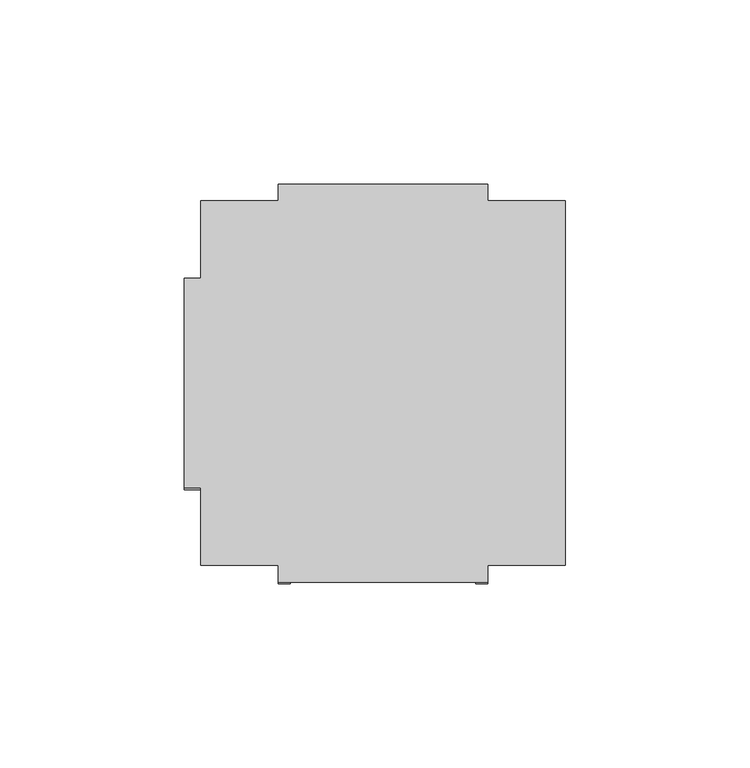
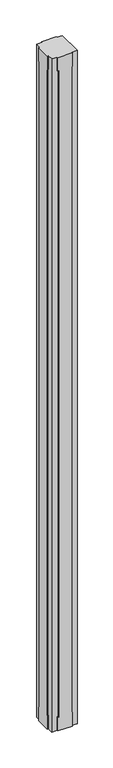
"""IFC4 building model written with IfcOpenShell, lengths in millimetres: furniture geometry."""

import ifcopenshell
import ifcopenshell.guid

model = None  # the IFC model being written
_history = None  # IfcOwnerHistory: only IFC2X3 demands one
_inside = {}  # id of a spatial element -> (the spatial element, [elements in it])
_under = {}  # id of a project, library or spatial element -> (it, [spatial elements below it])
_declared = {}  # id of a project -> (the project, [libraries it declares])
_typed = {}  # id of a type object -> (the type object, [elements of that type])
_made_of = {}  # id of a material, layer set ... -> (it, [elements and type objects made of it])


def new_model(schema):
    """Start an empty IFC model of exactly this schema.

    Asked for "IFC4X3", IfcOpenShell would pick the latest addendum, in which some entities
    have other attributes; the version numbers below select the first issue.
    IFC2X3 requires an IfcOwnerHistory on every rooted entity: one is made here for all.
    """
    global model, _history
    if schema == "IFC4X3":
        model = ifcopenshell.file(schema_version=(4, 3, 0, 0))
    else:
        model = ifcopenshell.file(schema=schema)
    _inside.clear()
    _under.clear()
    _declared.clear()
    _typed.clear()
    _made_of.clear()
    _history = None
    if model.schema == "IFC2X3":
        org = make("IfcOrganization", Name="unknown")
        user = make(
            "IfcPersonAndOrganization",
            ThePerson=make("IfcPerson", FamilyName="unknown"),
            TheOrganization=org,
        )
        app = make(
            "IfcApplication",
            ApplicationDeveloper=org,
            Version="unknown",
            ApplicationFullName="unknown",
            ApplicationIdentifier="unknown",
        )
        _history = make(
            "IfcOwnerHistory",
            OwningUser=user,
            OwningApplication=app,
            ChangeAction="ADDED",
            CreationDate=0,
        )
    return model


def make(cls, **values):
    """One entity of the class cls with the attributes given. An attribute that is None is left unset."""
    return model.create_entity(
        cls, **{name: value for name, value in values.items() if value is not None}
    )


def rooted(cls, **values):
    """An entity with a GlobalId (a new one), such as an element, a storey or a relation."""
    return make(cls, GlobalId=ifcopenshell.guid.new(), OwnerHistory=_history, **values)


def si_unit(unit_type, name, prefix=None):
    """IfcSIUnit, for example si_unit("LENGTHUNIT", "METRE", prefix="MILLI")."""
    return make("IfcSIUnit", UnitType=unit_type, Prefix=prefix, Name=name)


def assignment(units):
    """IfcUnitAssignment: the units of a project."""
    return None if units is None else make("IfcUnitAssignment", Units=units)


def point(xyz):
    """IfcCartesianPoint."""
    return None if xyz is None else make("IfcCartesianPoint", Coordinates=xyz)


def direction(xyz):
    """IfcDirection."""
    return None if xyz is None else make("IfcDirection", DirectionRatios=xyz)


def frame(location, z_axis=None, x_axis=None):
    """IfcAxis2Placement3D, a coordinate frame: its origin and axes. An axis left out is left unset."""
    return make(
        "IfcAxis2Placement3D",
        Location=point(location),
        Axis=direction(z_axis),
        RefDirection=direction(x_axis),
    )


def origin():
    """The frame at (0, 0, 0) with its axes left unset."""
    return frame((0.0, 0.0, 0.0))


def place(relative_to, where):
    """IfcLocalPlacement: puts the frame where relative to a parent placement (None: the world)."""
    return make(
        "IfcLocalPlacement", PlacementRelTo=relative_to, RelativePlacement=where
    )


def context(
    kind, dimensions, precision=None, world=None, true_north=None, identifier=None
):
    """IfcGeometricRepresentationContext, for example the 3D "Model" context."""
    return make(
        "IfcGeometricRepresentationContext",
        ContextIdentifier=identifier,
        ContextType=kind,
        CoordinateSpaceDimension=dimensions,
        Precision=precision,
        WorldCoordinateSystem=world,
        TrueNorth=true_north,
    )


def project(units=None, contexts=None):
    """IfcProject with its units and contexts."""
    return rooted(
        "IfcProject",
        Name="project",
        RepresentationContexts=contexts,
        UnitsInContext=assignment(units),
    )


def spatial(cls, under=None, at=None, **own):
    """A site, building, storey or space (cls), placed at a placement, below another one or the project."""
    s = rooted(cls, ObjectPlacement=at, **own)
    if under is not None:
        _under.setdefault(under.id(), (under, []))[1].append(s)
    return s


def faces_of(points, faces, orient=None, outer=None):
    """IfcFace entities. A face is a list of loops; a loop is a list of indices into points, from 0.

    orient and outer hold one flag for each loop. By default every Orientation is true, the
    first loop of a face is its IfcFaceOuterBound and the others are IfcFaceBound.
    """
    made = []
    for i, loops in enumerate(faces):
        bounds = []
        for j, loop in enumerate(loops):
            is_outer = j == 0 if outer is None else outer[i][j]
            bounds.append(
                make(
                    "IfcFaceOuterBound" if is_outer else "IfcFaceBound",
                    Bound=make("IfcPolyLoop", Polygon=[points[k] for k in loop]),
                    Orientation=True if orient is None else orient[i][j],
                )
            )
        made.append(make("IfcFace", Bounds=bounds))
    return made


def faceted_brep(points, faces, orient=None, outer=None, voids=None):
    """IfcFacetedBrep: a solid bounded by flat faces; with voids (closed shells), ...WithVoids."""
    shared = [point(p) for p in points]
    hull = make("IfcClosedShell", CfsFaces=faces_of(shared, faces, orient, outer))
    if voids is None:
        return make("IfcFacetedBrep", Outer=hull)
    return make(
        "IfcFacetedBrepWithVoids",
        Outer=hull,
        Voids=[
            make(cls, CfsFaces=faces_of(shared, fs, o, b)) for cls, fs, o, b in voids
        ],
    )


def shape(context_of_items, identifier, shape_type, items):
    """IfcShapeRepresentation: the items that make up one representation, for example the "Body"."""
    return make(
        "IfcShapeRepresentation",
        ContextOfItems=context_of_items,
        RepresentationIdentifier=identifier,
        RepresentationType=shape_type,
        Items=items,
    )


def source(mapping_origin, context_of_items, identifier, shape_type, items):
    """IfcRepresentationMap: a shape defined once, which mapped items show again and again."""
    return make(
        "IfcRepresentationMap",
        MappingOrigin=mapping_origin,
        MappedRepresentation=shape(context_of_items, identifier, shape_type, items),
    )


def transform(
    local_origin,
    x_axis=None,
    y_axis=None,
    z_axis=None,
    scale=None,
    scale2=None,
    scale3=None,
    uniform=True,
):
    """IfcCartesianTransformationOperator3D, or its non-uniform kind. x_axis, y_axis, z_axis: its Axis1, 2, 3."""
    if uniform:
        return make(
            "IfcCartesianTransformationOperator3D",
            Axis1=direction(x_axis),
            Axis2=direction(y_axis),
            LocalOrigin=point(local_origin),
            Scale=scale,
            Axis3=direction(z_axis),
        )
    return make(
        "IfcCartesianTransformationOperator3DnonUniform",
        Axis1=direction(x_axis),
        Axis2=direction(y_axis),
        LocalOrigin=point(local_origin),
        Scale=scale,
        Axis3=direction(z_axis),
        Scale2=scale2,
        Scale3=scale3,
    )


def mapped(mapping_source, mapping_target):
    """IfcMappedItem: shows the shape of a source again, moved by a transform."""
    return make(
        "IfcMappedItem", MappingSource=mapping_source, MappingTarget=mapping_target
    )


def made_of(thing, what):
    """Note that an element or type object is made of a material, layer set ...; save() writes the relation."""
    if what is not None:
        _made_of.setdefault(what.id(), (what, []))[1].append(thing)
    return thing


def element(
    cls,
    number,
    at=None,
    inside=None,
    cuts=None,
    type_object=None,
    material=None,
    context=None,
    identifier="Body",
    shape_type=None,
    held_by="IfcProductDefinitionShape",
    body=None,
    shapes=None,
    **own,
):
    """One element of the class cls, such as IfcWall. Its Tag is "e" and its number.

    at: its placement. inside: the storey or other place that contains it. cuts: it is an
    opening in that element (IfcRelVoidsElement). A single representation is given by context,
    identifier, shape_type and body (its items); several are given by shapes. held_by: the class
    of the entity that holds the representations. save() writes the other relations.
    """
    e = rooted(cls, Tag="e%d" % number, ObjectPlacement=at, **own)
    if body is not None:
        shapes = [shape(context, identifier, shape_type, body)]
    if shapes is not None:
        e.Representation = make(held_by, Representations=shapes)
    if inside is not None:
        _inside.setdefault(inside.id(), (inside, []))[1].append(e)
    if cuts is not None:
        rooted(
            "IfcRelVoidsElement", RelatingBuildingElement=cuts, RelatedOpeningElement=e
        )
    if type_object is not None:
        _typed.setdefault(type_object.id(), (type_object, []))[1].append(e)
    return made_of(e, material)


def aggregate(whole, parts):
    """IfcRelAggregates: a whole, such as a stair, and the parts it consists of."""
    return rooted("IfcRelAggregates", RelatingObject=whole, RelatedObjects=parts)


def save(model, path):
    """Write the relations noted so far, then the file.

    IfcRelAggregates (storeys below a building ...), IfcRelContainedInSpatialStructure (elements
    in a storey), IfcRelDefinesByType, IfcRelAssociatesMaterial and IfcRelDeclares: one each for
    every whole, place, type object, material and project.
    """
    for whole, parts in _under.values():
        aggregate(whole, parts)
    for where, things in _inside.values():
        rooted(
            "IfcRelContainedInSpatialStructure",
            RelatedElements=things,
            RelatingStructure=where,
        )
    for kind, things in _typed.values():
        rooted("IfcRelDefinesByType", RelatedObjects=things, RelatingType=kind)
    for what, things in _made_of.values():
        rooted("IfcRelAssociatesMaterial", RelatedObjects=things, RelatingMaterial=what)
    for by, libraries in _declared.values():
        rooted("IfcRelDeclares", RelatingContext=by, RelatedDefinitions=libraries)
    model.write(path)


def furniture_5099bb2f(model_context):
    return source(origin(), model_context, "Body", "Brep", [
        faceted_brep([(0.0, 736.854, 55.118), (0.0, 736.854, 2688.082), (0.0, 733.552, 2688.082), (0.0, 733.552, 2743.2), (0.0, 790.448, 2743.2), (0.0, 790.448, 2688.082), (0.0, 787.146, 2688.082), (0.0, 787.146, 55.118), (0.0, 790.448, 55.118), (0.0, 790.448, 0.0), (0.0, 733.552, 0.0), (0.0, 733.552, 55.118), (4.4958, 736.854, 55.118), (4.4958, 736.854, 2688.082), (4.4958, 733.552, 2688.082), (4.4958, 733.552, 2743.2), (4.4958, 712.5208, 2743.2), (25.527, 712.5208, 2743.2), (25.527, 708.025, 2743.2), (82.423, 708.025, 2743.2), (82.423, 712.5208, 2743.2), (103.4542, 712.5208, 2743.2), (103.4542, 811.4792, 2743.2), (82.423, 811.4792, 2743.2), (82.423, 815.975, 2743.2), (25.527, 815.975, 2743.2), (25.527, 811.4792, 2743.2), (4.4958, 811.4792, 2743.2), (4.4958, 790.448, 2743.2), (4.4958, 790.448, 2688.082), (4.4958, 787.146, 2688.082), (4.4958, 787.146, 55.118), (4.4958, 790.448, 55.118), (4.4958, 790.448, 0.0), (4.4958, 811.4792, 0.0), (25.527, 811.4792, 0.0), (25.527, 815.975, 0.0), (82.423, 815.975, 0.0), (82.423, 811.4792, 0.0), (103.4542, 811.4792, 0.0), (103.4542, 712.5208, 0.0), (82.423, 712.5208, 0.0), (82.423, 708.025, 0.0), (25.527, 708.025, 0.0), (25.527, 712.5208, 0.0), (4.4958, 712.5208, 0.0), (4.4958, 733.552, 0.0), (4.4958, 733.552, 55.118), (82.423, 712.5208, 2688.082), (79.121, 712.5208, 2688.082), (79.121, 712.5208, 55.118), (82.423, 712.5208, 55.118), (25.527, 712.5208, 55.118), (28.829, 712.5208, 55.118), (28.829, 712.5208, 2688.082), (25.527, 712.5208, 2688.082), (25.527, 811.4792, 2688.082), (28.829, 811.4792, 2688.082), (28.829, 811.4792, 55.118), (25.527, 811.4792, 55.118), (82.423, 811.4792, 55.118), (79.121, 811.4792, 55.118), (79.121, 811.4792, 2688.082), (82.423, 811.4792, 2688.082), (79.121, 708.025, 55.118), (79.121, 708.025, 2688.082), (82.423, 708.025, 2688.082), (25.527, 708.025, 2688.082), (28.829, 708.025, 2688.082), (28.829, 708.025, 55.118), (25.527, 708.025, 55.118), (82.423, 708.025, 55.118), (79.121, 815.975, 55.118), (82.423, 815.975, 55.118), (25.527, 815.975, 55.118), (28.829, 815.975, 55.118), (28.829, 815.975, 2688.082), (25.527, 815.975, 2688.082), (82.423, 815.975, 2688.082), (79.121, 815.975, 2688.082)], [[[0, 1, 2, 3, 4, 5, 6, 7, 8, 9, 10, 11]], [[0, 12, 13, 1]], [[1, 13, 14, 2]], [[2, 14, 15, 3]], [[3, 15, 16, 17, 18, 19, 20, 21, 22, 23, 24, 25, 26, 27, 28, 4]], [[4, 28, 29, 5]], [[5, 29, 30, 6]], [[6, 30, 31, 7]], [[7, 31, 32, 8]], [[8, 32, 33, 9]], [[9, 33, 34, 35, 36, 37, 38, 39, 40, 41, 42, 43, 44, 45, 46, 10]], [[10, 46, 47, 11]], [[11, 47, 12, 0]], [[21, 20, 48, 49, 50, 51, 41, 40]], [[45, 44, 52, 53, 54, 55, 17, 16]], [[16, 15, 14, 13, 12, 47, 46, 45]], [[34, 33, 32, 31, 30, 29, 28, 27]], [[27, 26, 56, 57, 58, 59, 35, 34]], [[39, 38, 60, 61, 62, 63, 23, 22]], [[21, 40, 39, 22]], [[64, 65, 66, 19, 18, 67, 68, 69, 70, 43, 42, 71]], [[72, 73, 37, 36, 74, 75, 76, 77, 25, 24, 78, 79]], [[64, 50, 49, 65]], [[79, 62, 61, 72]], [[65, 49, 48, 66]], [[78, 63, 62, 79]], [[24, 23, 63, 78]], [[66, 48, 20, 19]], [[18, 17, 55, 67]], [[77, 56, 26, 25]], [[67, 55, 54, 68]], [[76, 57, 56, 77]], [[68, 54, 53, 69]], [[75, 58, 57, 76]], [[69, 53, 52, 70]], [[74, 59, 58, 75]], [[36, 35, 59, 74]], [[70, 52, 44, 43]], [[42, 41, 51, 71]], [[73, 60, 38, 37]], [[72, 61, 60, 73]], [[71, 51, 50, 64]]]),
    ])


if __name__ == "__main__":
    model = new_model("IFC4")
    model_context = context("Model", 3, world=origin())
    ifc_project = project(units=[si_unit("LENGTHUNIT", "METRE", prefix="MILLI")], contexts=[model_context])
    site = spatial("IfcSite", under=ifc_project)
    building = spatial("IfcBuilding", under=site)
    placement = place(None, origin())
    furniture_shape = furniture_5099bb2f(model_context)
    element("IfcFurniture", 1, at=placement, inside=building, context=model_context, shape_type="MappedRepresentation", body=[
        mapped(furniture_shape, transform((0.0, 0.0, 0.0), x_axis=(1.0, 0.0, 0.0), y_axis=(0.0, 1.0, 0.0), z_axis=(0.0, 0.0, 1.0))),
    ])
    save(model, "model.ifc")
